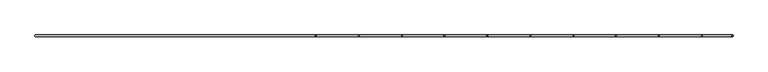
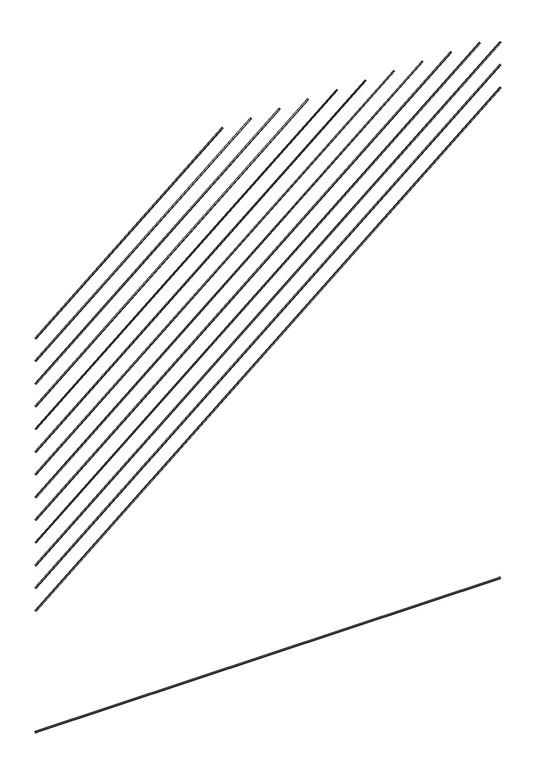
"""IFC4 building model written with IfcOpenShell, lengths in millimetres: proxy geometry."""

from ifc_helpers import new_model, si_unit, point, frame, frame_2d, origin, origin_2d, place, context, project, spatial, circle_curve, trimmed, segment, composite_curve, outline, extrude, source, transform, mapped, element, save


def generic_models_ad900d18(model_context):
    return source(origin(), model_context, "Body", "SweptSolid", [
        extrude(outline(composite_curve([segment(trimmed(circle_curve(origin_2d(), 2.5), [point((2.5, 0.0))], [point((-2.5, 0.0))], False, "CARTESIAN"), True, "CONTINUOUS"), segment(trimmed(circle_curve(origin_2d(), 2.5), [point((-2.5, 0.0))], [point((2.5, 0.0))], False, "CARTESIAN"), True, "CONTINUOUS")], self_intersect=False)), frame((-1000.0, 52.5, 1793.5573642), z_axis=(0.7660444431189722, 0.0, 0.6427876096865464), x_axis=(0.0, -1.0, 0.0)), (0.0, 0.0, 1.0), 1050.1300366),
        extrude(outline(composite_curve([segment(trimmed(circle_curve(origin_2d(), 2.5), [point((2.5, 0.0))], [point((-2.5, 0.0))], False, "CARTESIAN"), True, "CONTINUOUS"), segment(trimmed(circle_curve(origin_2d(), 2.5), [point((-2.5, 0.0))], [point((2.5, 0.0))], False, "CARTESIAN"), True, "CONTINUOUS")], self_intersect=False)), frame((-1000.0, 52.5, 1690.3407125), z_axis=(0.7660444431189722, 0.0, 0.6427876096865464), x_axis=(0.0, -1.0, 0.0)), (0.0, 0.0, 1.0), 1210.7066411),
        extrude(outline(composite_curve([segment(trimmed(circle_curve(origin_2d(), 2.5), [point((2.5, 0.0))], [point((-2.5, 0.0))], False, "CARTESIAN"), True, "CONTINUOUS"), segment(trimmed(circle_curve(origin_2d(), 2.5), [point((-2.5, 0.0))], [point((2.5, 0.0))], False, "CARTESIAN"), True, "CONTINUOUS")], self_intersect=False)), frame((-1000.0, 52.5, 1587.1240608), z_axis=(0.7660444431189722, 0.0, 0.6427876096865464), x_axis=(0.0, -1.0, 0.0)), (0.0, 0.0, 1.0), 1371.2832455),
        extrude(outline(composite_curve([segment(trimmed(circle_curve(origin_2d(), 2.5), [point((2.5, 0.0))], [point((-2.5, 0.0))], False, "CARTESIAN"), True, "CONTINUOUS"), segment(trimmed(circle_curve(origin_2d(), 2.5), [point((-2.5, 0.0))], [point((2.5, 0.0))], False, "CARTESIAN"), True, "CONTINUOUS")], self_intersect=False)), frame((-1000.0, 52.5, 1483.907409), z_axis=(0.7660444431189722, 0.0, 0.6427876096865464), x_axis=(0.0, -1.0, 0.0)), (0.0, 0.0, 1.0), 1531.8598499),
        extrude(outline(composite_curve([segment(trimmed(circle_curve(origin_2d(), 2.5), [point((2.5, 0.0))], [point((-2.5, 0.0))], False, "CARTESIAN"), True, "CONTINUOUS"), segment(trimmed(circle_curve(origin_2d(), 2.5), [point((-2.5, 0.0))], [point((2.5, 0.0))], False, "CARTESIAN"), True, "CONTINUOUS")], self_intersect=False)), frame((-1000.0, 52.5, 1380.6907573), z_axis=(0.7660444431189722, 0.0, 0.6427876096865464), x_axis=(0.0, -1.0, 0.0)), (0.0, 0.0, 1.0), 1692.4364543),
        extrude(outline(composite_curve([segment(trimmed(circle_curve(origin_2d(), 2.5), [point((2.5, 0.0))], [point((-2.5, 0.0))], False, "CARTESIAN"), True, "CONTINUOUS"), segment(trimmed(circle_curve(origin_2d(), 2.5), [point((-2.5, 0.0))], [point((2.5, 0.0))], False, "CARTESIAN"), True, "CONTINUOUS")], self_intersect=False)), frame((-1000.0, 52.5, 1277.4741056), z_axis=(0.7660444431189722, 0.0, 0.6427876096865464), x_axis=(0.0, -1.0, 0.0)), (0.0, 0.0, 1.0), 1853.0130588),
        extrude(outline(composite_curve([segment(trimmed(circle_curve(origin_2d(), 2.5), [point((2.5, 0.0))], [point((-2.5, 0.0))], False, "CARTESIAN"), True, "CONTINUOUS"), segment(trimmed(circle_curve(origin_2d(), 2.5), [point((-2.5, 0.0))], [point((2.5, 0.0))], False, "CARTESIAN"), True, "CONTINUOUS")], self_intersect=False)), frame((-1000.0, 52.5, 1174.2574539), z_axis=(0.7660444431189722, 0.0, 0.6427876096865464), x_axis=(0.0, -1.0, 0.0)), (0.0, 0.0, 1.0), 2013.5896632),
        extrude(outline(composite_curve([segment(trimmed(circle_curve(origin_2d(), 2.5), [point((2.5, 0.0))], [point((-2.5, 0.0))], False, "CARTESIAN"), True, "CONTINUOUS"), segment(trimmed(circle_curve(origin_2d(), 2.5), [point((-2.5, 0.0))], [point((2.5, 0.0))], False, "CARTESIAN"), True, "CONTINUOUS")], self_intersect=False)), frame((-1000.0, 52.5, 1071.0408021), z_axis=(0.7660444431189722, 0.0, 0.6427876096865464), x_axis=(0.0, -1.0, 0.0)), (0.0, 0.0, 1.0), 2174.1662676),
        extrude(outline(composite_curve([segment(trimmed(circle_curve(origin_2d(), 2.5), [point((2.5, 0.0))], [point((-2.5, 0.0))], False, "CARTESIAN"), True, "CONTINUOUS"), segment(trimmed(circle_curve(origin_2d(), 2.5), [point((-2.5, 0.0))], [point((2.5, 0.0))], False, "CARTESIAN"), True, "CONTINUOUS")], self_intersect=False)), frame((-1000.0, 52.5, 967.8241504), z_axis=(0.7660444431189722, 0.0, 0.6427876096865464), x_axis=(0.0, -1.0, 0.0)), (0.0, 0.0, 1.0), 2334.742872),
        extrude(outline(composite_curve([segment(trimmed(circle_curve(origin_2d(), 2.5), [point((2.5, 0.0))], [point((-2.5, 0.0))], False, "CARTESIAN"), True, "CONTINUOUS"), segment(trimmed(circle_curve(origin_2d(), 2.5), [point((-2.5, 0.0))], [point((2.5, 0.0))], False, "CARTESIAN"), True, "CONTINUOUS")], self_intersect=False)), frame((-1000.0, 52.5, 864.6074987), z_axis=(0.7660444431189722, 0.0, 0.6427876096865464), x_axis=(0.0, -1.0, 0.0)), (0.0, 0.0, 1.0), 2495.3194765),
        extrude(outline(composite_curve([segment(trimmed(circle_curve(origin_2d(), 2.5), [point((2.5, 0.0))], [point((-2.5, 0.0))], False, "CARTESIAN"), True, "CONTINUOUS"), segment(trimmed(circle_curve(origin_2d(), 2.5), [point((-2.5, 0.0))], [point((2.5, 0.0))], False, "CARTESIAN"), True, "CONTINUOUS")], self_intersect=False)), frame((-1000.0, 52.5, 761.3908469), z_axis=(0.7660444431189722, 0.0, 0.6427876096865464), x_axis=(0.0, -1.0, 0.0)), (0.0, 0.0, 1.0), 2610.8145787),
        extrude(outline(composite_curve([segment(trimmed(circle_curve(origin_2d(), 2.5), [point((2.5, 0.0))], [point((-2.5, 0.0))], False, "CARTESIAN"), True, "CONTINUOUS"), segment(trimmed(circle_curve(origin_2d(), 2.5), [point((-2.5, 0.0))], [point((2.5, 0.0))], False, "CARTESIAN"), True, "CONTINUOUS")], self_intersect=False)), frame((-1000.0, 52.5, 658.1741952), z_axis=(0.7660444431189722, 0.0, 0.6427876096865464), x_axis=(0.0, -1.0, 0.0)), (0.0, 0.0, 1.0), 2610.8145787),
        extrude(outline(composite_curve([segment(trimmed(circle_curve(origin_2d(), 2.5), [point((2.5, 0.0))], [point((-2.5, 0.0))], False, "CARTESIAN"), True, "CONTINUOUS"), segment(trimmed(circle_curve(origin_2d(), 2.5), [point((-2.5, 0.0))], [point((2.5, 0.0))], False, "CARTESIAN"), True, "CONTINUOUS")], self_intersect=False)), frame((-1000.0, 52.5, 554.9575435), z_axis=(0.7660444431189722, 0.0, 0.6427876096865464), x_axis=(0.0, -1.0, 0.0)), (0.0, 0.0, 1.0), 2610.8145787),
        extrude(outline(composite_curve([segment(trimmed(circle_curve(frame_2d((52.5, 2.5)), 2.5), [point((50.0, 2.5))], [point((55.0, 2.5))], False, "CARTESIAN"), True, "CONTINUOUS"), segment(trimmed(circle_curve(frame_2d((52.5, 2.5)), 2.5), [point((55.0, 2.5))], [point((50.0, 2.5))], False, "CARTESIAN"), True, "CONTINUOUS")], self_intersect=False)), frame((-1000.0, 0.0, 0.0), z_axis=(1.0, 0.0, 0.0), x_axis=(0.0, 1.0, 0.0)), (0.0, 0.0, 1.0), 2000.0),
    ])


if __name__ == "__main__":
    model = new_model("IFC4")
    model_context = context("Model", 3, world=origin())
    ifc_project = project(units=[si_unit("LENGTHUNIT", "METRE", prefix="MILLI")], contexts=[model_context])
    site = spatial("IfcSite", under=ifc_project)
    building = spatial("IfcBuilding", under=site)
    placement = place(None, origin())
    generic_models_shape = generic_models_ad900d18(model_context)
    element("IfcBuildingElementProxy", 1, Name="Generic Models", at=placement, inside=building, context=model_context, shape_type="MappedRepresentation", body=[
        mapped(generic_models_shape, transform((0.0, 0.0, 0.0), x_axis=(1.0, 0.0, 0.0), y_axis=(0.0, 1.0, 0.0), z_axis=(0.0, 0.0, 1.0))),
    ])
    save(model, "model.ifc")
